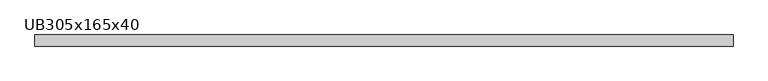
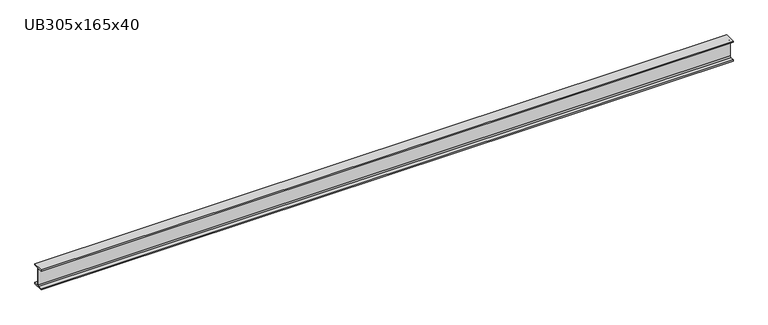
"""IFC4 building model written with IfcOpenShell, lengths in millimetres: beam geometry, UB305x165x40."""

from ifc_helpers import new_model, si_unit, point, frame, frame_2d, origin, place, context, project, spatial, polyline, circle_curve, trimmed, segment, composite_curve, outline, extrude, source, transform, mapped, element, save


def ub305x165x40_dd3ed8b0(model_context):
    return source(origin(), model_context, "Body", "SweptSolid", [
        extrude(outline(composite_curve([segment(polyline([(42.5, -71.5), (42.5, -81.7), (-42.5, -81.7), (-42.5, -71.5), (-11.9, -71.5)]), True, "CONTINUOUS"), segment(trimmed(circle_curve(frame_2d((-11.9, -62.6)), 8.9), [point((-11.9, -71.5))], [point((-3.0, -62.6))], True, "CARTESIAN"), True, "CONTINUOUS"), segment(polyline([(-3.0, -62.6), (-3.0, 62.6)]), True, "CONTINUOUS"), segment(trimmed(circle_curve(frame_2d((-11.9, 62.6)), 8.9), [point((-3.0, 62.6))], [point((-11.9, 71.5))], True, "CARTESIAN"), True, "CONTINUOUS"), segment(polyline([(-11.9, 71.5), (-42.5, 71.5), (-42.5, 81.7), (42.5, 81.7), (42.5, 71.5), (11.9, 71.5)]), True, "CONTINUOUS"), segment(trimmed(circle_curve(frame_2d((11.9, 62.6)), 8.9), [point((11.9, 71.5))], [point((3.0, 62.6))], True, "CARTESIAN"), True, "CONTINUOUS"), segment(polyline([(3.0, 62.6), (3.0, -62.6)]), True, "CONTINUOUS"), segment(trimmed(circle_curve(frame_2d((11.9, -62.6)), 8.9), [point((3.0, -62.6))], [point((11.9, -71.5))], True, "CARTESIAN"), True, "CONTINUOUS"), segment(polyline([(11.9, -71.5), (42.5, -71.5)]), True, "CONTINUOUS")], self_intersect=False)), frame((-2775.5, 0.0, 0.0), z_axis=(1.0, 0.0, 0.0), x_axis=(0.0, 1.0, 0.0)), (0.0, 0.0, 1.0), 5348.8),
    ])


if __name__ == "__main__":
    model = new_model("IFC4")
    model_context = context("Model", 3, world=origin())
    ifc_project = project(units=[si_unit("LENGTHUNIT", "METRE", prefix="MILLI")], contexts=[model_context])
    site = spatial("IfcSite", under=ifc_project)
    building = spatial("IfcBuilding", under=site)
    placement = place(None, origin())
    ub305x165x40_shape = ub305x165x40_dd3ed8b0(model_context)
    element("IfcBeam", 1, ObjectType="UB305x165x40", at=placement, inside=building, context=model_context, shape_type="MappedRepresentation", body=[
        mapped(ub305x165x40_shape, transform((0.0, 0.0, 0.0), x_axis=(1.0, 0.0, 0.0), y_axis=(0.0, 1.0, 0.0), z_axis=(0.0, 0.0, 1.0))),
    ])
    save(model, "model.ifc")
